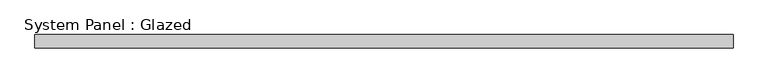
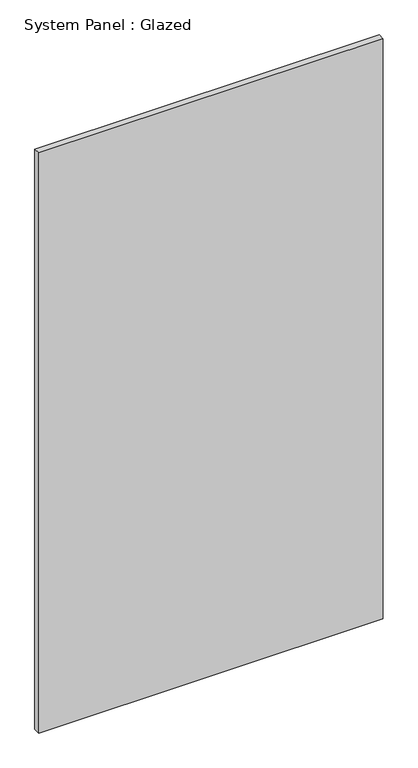
"""IFC4 building model written with IfcOpenShell, lengths in millimetres: plate geometry, System Panel : Glazed."""

from ifc_helpers import new_model, si_unit, origin, origin_with_axes, place, context, project, spatial, polyline, outline, extrude, source, transform, mapped, element, save


def system_panel_glazed_2f56c768(model_context):
    return source(origin(), model_context, "Body", "SweptSolid", [
        extrude(outline(polyline([(653.125, 24.5), (-653.125, 24.5), (-653.125, 49.5), (653.125, 49.5), (653.125, 24.5)])), origin_with_axes(), (0.0, 0.0, 1.0), 2325.0),
    ])


if __name__ == "__main__":
    model = new_model("IFC4")
    model_context = context("Model", 3, world=origin())
    ifc_project = project(units=[si_unit("LENGTHUNIT", "METRE", prefix="MILLI")], contexts=[model_context])
    site = spatial("IfcSite", under=ifc_project)
    building = spatial("IfcBuilding", under=site)
    placement = place(None, origin())
    system_panel_glazed_shape = system_panel_glazed_2f56c768(model_context)
    element("IfcPlate", 1, ObjectType="System Panel : Glazed", at=placement, inside=building, context=model_context, shape_type="MappedRepresentation", body=[
        mapped(system_panel_glazed_shape, transform((0.0, 0.0, 0.0), x_axis=(1.0, 0.0, 0.0), y_axis=(0.0, 1.0, 0.0), z_axis=(0.0, 0.0, 1.0))),
    ])
    save(model, "model.ifc")
